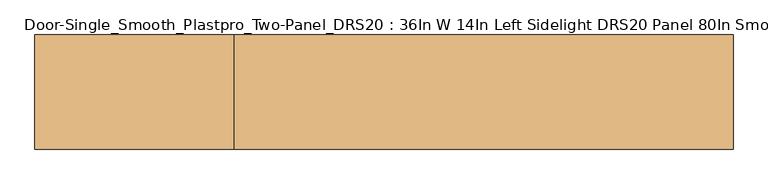
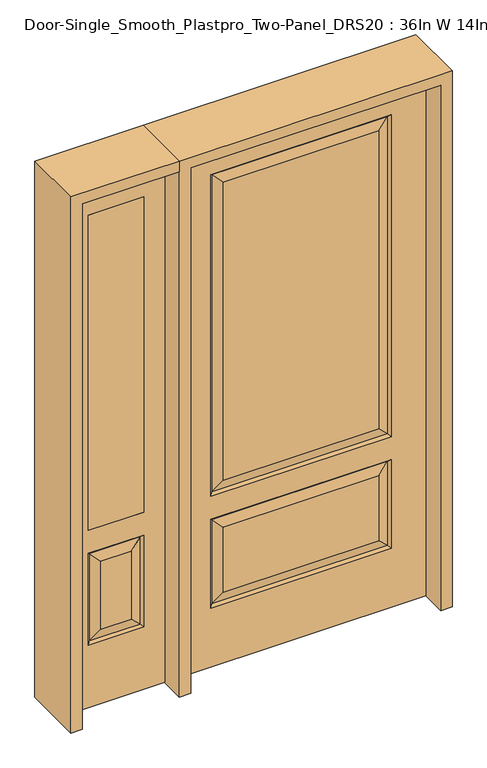
"""IFC4 building model written with IfcOpenShell, lengths in millimetres: door geometry, Door-Single_Smooth_Plastpro_Two-Panel_DRS20 : 36In W 14In Left Sidelight DRS20 Panel 80In Smooth."""

from ifc_helpers import new_model, si_unit, frame, origin, place, context, project, spatial, polyline, outline, extrude, faceted_brep, source, transform, mapped, element, save


def door_single_smooth_plastpro_two_panel_drs20_36in_w_14in_left_b2a7ec2c(model_context):
    return source(origin(), model_context, "Body", "SolidModel", [
        extrude(outline(polyline([(-574.675, -20.6375), (-777.875, -20.6375), (-777.875, 20.6375), (-574.675, 20.6375), (-574.675, -20.6375)])), frame((0.0, 0.0, 685.8), z_axis=(0.0, 0.0, 1.0), x_axis=(1.0, 0.0, 0.0)), (0.0, 0.0, 1.0), 1219.2),
        faceted_brep([(-854.075, -20.6375, 0.0), (-498.475, -20.6375, 0.0), (-498.475, -20.6375, 2032.0), (-854.075, -20.6375, 2032.0), (-574.675, -20.6375, 685.8), (-777.875, -20.6375, 685.8), (-777.875, -20.6375, 1905.0), (-574.675, -20.6375, 1905.0), (-574.675, -20.6375, 241.3), (-777.875, -20.6375, 241.3), (-777.875, -20.6375, 596.9), (-574.675, -20.6375, 596.9), (-731.8375, -20.6375, 287.3375), (-620.7125, -20.6375, 287.3375), (-620.7125, -20.6375, 550.8625), (-731.8375, -20.6375, 550.8625), (-854.075, 20.6375, 0.0), (-498.475, 20.6375, 0.0), (-498.475, 20.6375, 2032.0), (-854.075, 20.6375, 2032.0), (-583.6552561, -11.6572439, 250.2802561), (-768.8947439, -11.6572439, 250.2802561), (-768.8947439, -11.6572439, 587.9197439), (-583.6552561, -11.6572439, 587.9197439), (-574.675, 20.6375, 685.8), (-777.875, 20.6375, 685.8), (-777.875, 20.6375, 1905.0), (-574.675, 20.6375, 1905.0), (-777.875, 20.6375, 241.3), (-574.675, 20.6375, 241.3), (-574.675, 20.6375, 596.9), (-777.875, 20.6375, 596.9), (-620.7125, 20.6375, 287.3375), (-731.8375, 20.6375, 287.3375), (-731.8375, 20.6375, 550.8625), (-620.7125, 20.6375, 550.8625), (-768.8947439, 11.6572439, 250.2802561), (-583.6552561, 11.6572439, 250.2802561), (-583.6552561, 11.6572439, 587.9197439), (-768.8947439, 11.6572439, 587.9197439)], [[[0, 1, 2, 3], [4, 5, 6, 7], [8, 9, 10, 11]], [[12, 13, 14, 15]], [[1, 0, 16, 17]], [[2, 1, 17, 18]], [[0, 3, 19, 16]], [[20, 21, 9, 8]], [[9, 21, 22, 10]], [[10, 22, 23, 11]], [[20, 8, 11, 23]], [[21, 20, 13, 12]], [[13, 20, 23, 14]], [[22, 15, 14, 23]], [[21, 12, 15, 22]], [[4, 24, 25, 5]], [[5, 25, 26, 6]], [[24, 4, 7, 27]], [[16, 19, 18, 17], [25, 24, 27, 26], [28, 29, 30, 31]], [[32, 33, 34, 35]], [[28, 36, 37, 29]], [[29, 37, 38, 30]], [[39, 31, 30, 38]], [[36, 28, 31, 39]], [[37, 36, 33, 32]], [[33, 36, 39, 34]], [[34, 39, 38, 35]], [[37, 32, 35, 38]], [[3, 2, 18, 19]], [[27, 7, 6, 26]]]),
        faceted_brep([(457.2, 20.6375, 0.0), (457.2, -20.6375, 0.0), (-457.2, -20.6375, 0.0), (-457.2, 20.6375, 0.0), (457.2, 20.6375, 2032.0), (457.2, -20.6375, 2032.0), (-284.1625, -20.6375, 706.4375), (284.1625, -20.6375, 706.4375), (284.1625, -20.6375, 1858.9625), (-284.1625, -20.6375, 1858.9625), (-284.1625, -20.6375, 274.6375), (284.1625, -20.6375, 274.6375), (284.1625, -20.6375, 525.4625), (-284.1625, -20.6375, 525.4625), (-457.2, -20.6375, 2032.0), (330.2, -20.6375, 660.4), (-330.2, -20.6375, 660.4), (-330.2, -20.6375, 1905.0), (330.2, -20.6375, 1905.0), (330.2, -20.6375, 228.6), (-330.2, -20.6375, 228.6), (-330.2, -20.6375, 571.5), (330.2, -20.6375, 571.5), (-457.2, 20.6375, 2032.0), (-284.1625, 20.6375, 525.4625), (284.1625, 20.6375, 525.4625), (284.1625, 20.6375, 274.6375), (-284.1625, 20.6375, 274.6375), (-284.1625, 20.6375, 1858.9625), (284.1625, 20.6375, 1858.9625), (284.1625, 20.6375, 706.4375), (-284.1625, 20.6375, 706.4375), (330.2, 20.6375, 571.5), (-330.2, 20.6375, 571.5), (-330.2, 20.6375, 228.6), (330.2, 20.6375, 228.6), (330.2, 20.6375, 1905.0), (-330.2, 20.6375, 1905.0), (-330.2, 20.6375, 660.4), (330.2, 20.6375, 660.4), (-321.2197439, 11.6572439, 1896.0197439), (-321.2197439, 11.6572439, 669.3802561), (321.2197439, 11.6572439, 669.3802561), (321.2197439, 11.6572439, 1896.0197439), (321.2197439, 11.6572439, 562.5197439), (-321.2197439, 11.6572439, 562.5197439), (-321.2197439, 11.6572439, 237.5802561), (321.2197439, 11.6572439, 237.5802561), (321.2197439, -11.6572439, 669.3802561), (-321.2197439, -11.6572439, 669.3802561), (-321.2197439, -11.6572439, 1896.0197439), (321.2197439, -11.6572439, 1896.0197439), (321.2197439, -11.6572439, 237.5802561), (-321.2197439, -11.6572439, 237.5802561), (-321.2197439, -11.6572439, 562.5197439), (321.2197439, -11.6572439, 562.5197439)], [[[0, 1, 2, 3]], [[4, 5, 1, 0]], [[6, 7, 8, 9]], [[10, 11, 12, 13]], [[5, 14, 2, 1], [15, 16, 17, 18], [19, 20, 21, 22]], [[14, 23, 3, 2]], [[24, 25, 26, 27]], [[28, 29, 30, 31]], [[23, 4, 0, 3], [32, 33, 34, 35], [36, 37, 38, 39]], [[37, 40, 41, 38]], [[38, 41, 42, 39]], [[43, 36, 39, 42]], [[29, 43, 42, 30]], [[41, 31, 30, 42]], [[40, 28, 31, 41]], [[44, 45, 33, 32]], [[33, 45, 46, 34]], [[34, 46, 47, 35]], [[44, 32, 35, 47]], [[45, 44, 25, 24]], [[25, 44, 47, 26]], [[46, 27, 26, 47]], [[45, 24, 27, 46]], [[48, 49, 16, 15]], [[16, 49, 50, 17]], [[48, 15, 18, 51]], [[49, 48, 7, 6]], [[7, 48, 51, 8]], [[49, 6, 9, 50]], [[52, 53, 20, 19]], [[20, 53, 54, 21]], [[21, 54, 55, 22]], [[52, 19, 22, 55]], [[53, 52, 11, 10]], [[11, 52, 55, 12]], [[54, 13, 12, 55]], [[53, 10, 13, 54]], [[4, 23, 14, 5]], [[17, 50, 51, 18]], [[50, 9, 8, 51]], [[43, 40, 37, 36]], [[40, 43, 29, 28]]]),
        extrude(outline(polyline([(2032.0, -498.475), (2073.275, -498.475), (2073.275, -895.35), (0.0, -895.35), (0.0, -854.075), (2032.0, -854.075), (2032.0, -498.475)])), frame((0.0, -114.3, 0.0), z_axis=(0.0, 1.0, 0.0), x_axis=(0.0, 0.0, 1.0)), (0.0, 0.0, 1.0), 228.6),
        extrude(outline(polyline([(2073.275, -498.475), (0.0, -498.475), (0.0, -457.2), (2032.0, -457.2), (2032.0, 457.2), (0.0, 457.2), (0.0, 498.475), (2073.275, 498.475), (2073.275, -498.475)])), frame((0.0, -114.3, 0.0), z_axis=(0.0, 1.0, 0.0), x_axis=(0.0, 0.0, 1.0)), (0.0, 0.0, 1.0), 228.6),
    ])


if __name__ == "__main__":
    model = new_model("IFC4")
    model_context = context("Model", 3, world=origin())
    ifc_project = project(units=[si_unit("LENGTHUNIT", "METRE", prefix="MILLI")], contexts=[model_context])
    site = spatial("IfcSite", under=ifc_project)
    building = spatial("IfcBuilding", under=site)
    placement = place(None, origin())
    door_single_smooth_plastpro_two_panel_drs20_36in_w_14in_left_shape = door_single_smooth_plastpro_two_panel_drs20_36in_w_14in_left_b2a7ec2c(model_context)
    element("IfcDoor", 1, ObjectType="Door-Single_Smooth_Plastpro_Two-Panel_DRS20 : 36In W 14In Left Sidelight DRS20 Panel 80In Smooth", at=placement, inside=building, context=model_context, shape_type="MappedRepresentation", body=[
        mapped(door_single_smooth_plastpro_two_panel_drs20_36in_w_14in_left_shape, transform((0.0, 0.0, 0.0), x_axis=(1.0, 0.0, 0.0), y_axis=(0.0, 1.0, 0.0), z_axis=(0.0, 0.0, 1.0))),
    ])
    save(model, "model.ifc")
